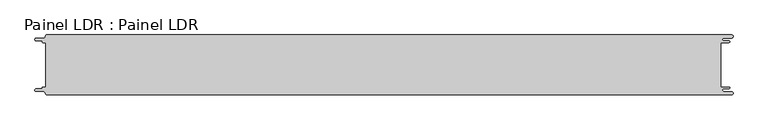
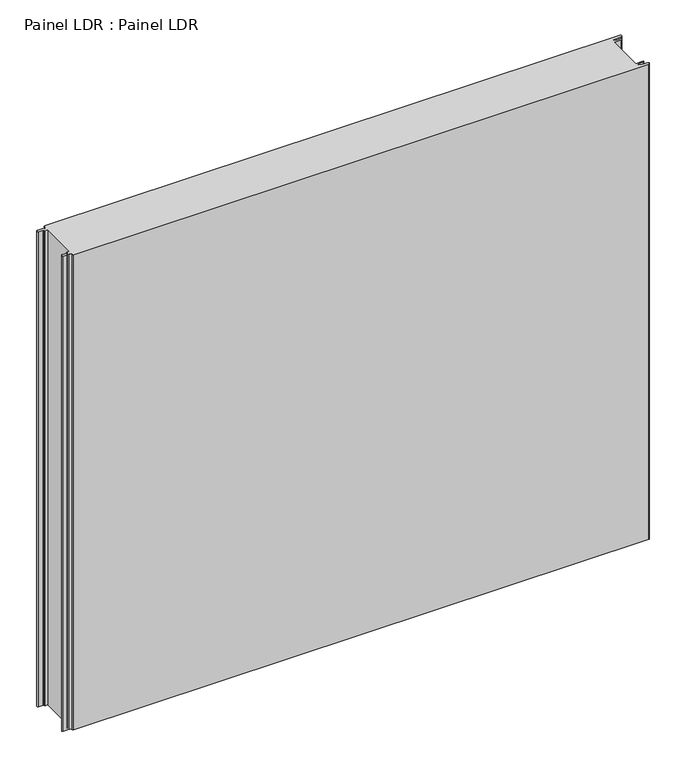
"""IFC4 building model written with IfcOpenShell, lengths in millimetres: proxy geometry, Painel LDR : Painel LDR."""

from ifc_helpers import new_model, si_unit, frame, origin, place, context, project, spatial, polyline, circle_curve, source, transform, mapped, element, save
from ifc_brep_helpers import plane_surface, cylinder_surface, revolved_surface, advanced_brep


def painel_ldr_painel_ldr_763152a1(model_context):
    return source(origin(), model_context, "Body", "AdvancedBrep", [
        advanced_brep(
        [(-579.5093748, -37.3, 1000.0), (-580.1093748, -37.9, 1000.0), (-580.1093748, -38.7085184, 1000.0), (-581.5093751, -40.1085187, 1000.0), (-590.4875, -40.1085187, 1000.0), (-590.4875, -44.5085185, 1000.0), (-578.471875, -44.5085185, 1000.0), (-574.921875, -48.0585185, 1000.0), (-572.971875, -50.0, 1000.0), (572.284375, -50.0, 1000.0), (572.284375, -44.725, 1000.0), (559.378125, -44.725, 1000.0), (559.378125, -39.875, 1000.0), (568.0406253, -39.875, 1000.0), (568.0406253, -37.3, 1000.0), (554.1906253, -37.3, 1000.0), (554.1906253, 37.3, 1000.0), (568.0406253, 37.3, 1000.0), (568.0406253, 39.875, 1000.0), (559.378125, 39.875, 1000.0), (559.378125, 44.725, 1000.0), (572.284375, 44.725, 1000.0), (572.284375, 50.0, 1000.0), (-572.971875, 50.0, 1000.0), (-574.921875, 48.05, 1000.0), (-578.471875, 44.5085185, 1000.0), (-590.4875, 44.5085185, 1000.0), (-590.4875, 40.1085185, 1000.0), (-581.5093753, 40.1085185, 1000.0), (-580.1093753, 38.7085185, 1000.0), (-580.1093753, 37.9, 1000.0), (-579.5093748, 37.2999995, 1000.0), (-574.2218362, 37.2999995, 1000.0), (-574.2218362, -37.3, 1000.0), (-579.5093748, -37.3, 0.0), (-574.2218362, -37.3, 0.0), (-574.2218362, 37.2999995, 0.0), (-579.5093748, 37.2999995, 0.0), (-580.1093753, 37.9, 0.0), (-580.1093753, 38.7085185, 0.0), (-581.5093753, 40.1085185, 0.0), (-590.4875, 40.1085185, 0.0), (-590.4875, 44.5085185, 0.0), (-578.471875, 44.5085185, 0.0), (-574.921875, 48.0585185, 0.0), (-572.971875, 50.0, 0.0), (572.284375, 50.0, 0.0), (572.284375, 44.725, 0.0), (559.378125, 44.725, 0.0), (559.378125, 39.875, 0.0), (568.0406253, 39.875, 0.0), (568.0406253, 37.3, 0.0), (554.1906253, 37.3, 0.0), (554.1906253, -37.3, 0.0), (568.0406253, -37.3, 0.0), (568.0406253, -39.875, 0.0), (559.378125, -39.875, 0.0), (559.378125, -44.725, 0.0), (572.284375, -44.725, 0.0), (572.284375, -50.0, 0.0), (-572.971875, -50.0, 0.0), (-574.921875, -48.05, 0.0), (-578.471875, -44.5085185, 0.0), (-590.4875, -44.5085185, 0.0), (-590.4875, -40.1085187, 0.0), (-581.5093751, -40.1085187, 0.0), (-580.1093748, -38.7085184, 0.0), (-580.1093748, -37.9, 0.0)],
        [
            (0, 1, circle_curve(frame((-579.5093748, -37.9, 1000.0), z_axis=(0.0, 0.0, 1.0), x_axis=(1.0, 0.0, 0.0)), 0.6)),
            (1, 2),
            (2, 3, circle_curve(frame((-581.5093751, -38.7085184, 1000.0), z_axis=(0.0, 0.0, -1.0), x_axis=(1.0, 0.0, 0.0)), 1.4000003)),
            (3, 4),
            (4, 5, circle_curve(frame((-590.4875, -42.3085186, 1000.0), z_axis=(0.0, 0.0, 1.0), x_axis=(1.0, 0.0, 0.0)), 2.1999999)),
            (5, 6),
            (6, 7, circle_curve(frame((-578.471875, -48.0585185, 1000.0), z_axis=(0.0, 0.0, -1.0), x_axis=(1.0, 0.0, 0.0)), 3.55)),
            (7, 8, circle_curve(frame((-572.971875, -48.05, 1000.0), z_axis=(0.0, 0.0, 1.0), x_axis=(1.0, 0.0, 0.0)), 1.95)),
            (8, 9),
            (9, 10, circle_curve(frame((572.284375, -47.3625, 1000.0), z_axis=(0.0, 0.0, 1.0), x_axis=(1.0, 0.0, 0.0)), 2.6375)),
            (10, 11),
            (11, 12, circle_curve(frame((559.378125, -42.3, 1000.0), z_axis=(0.0, 0.0, -1.0), x_axis=(1.0, 0.0, 0.0)), 2.425)),
            (12, 13),
            (13, 14, circle_curve(frame((568.0406253, -38.5875, 1000.0), z_axis=(0.0, 0.0, 1.0), x_axis=(1.0, 0.0, 0.0)), 1.2875)),
            (14, 15),
            (15, 16),
            (16, 17),
            (17, 18, circle_curve(frame((568.0406253, 38.5875, 1000.0), z_axis=(0.0, 0.0, 1.0), x_axis=(1.0, 0.0, 0.0)), 1.2875)),
            (18, 19),
            (19, 20, circle_curve(frame((559.378125, 42.3, 1000.0), z_axis=(0.0, 0.0, -1.0), x_axis=(1.0, 0.0, 0.0)), 2.425)),
            (20, 21),
            (21, 22, circle_curve(frame((572.284375, 47.3625, 1000.0), z_axis=(0.0, 0.0, 1.0), x_axis=(1.0, 0.0, 0.0)), 2.6375)),
            (22, 23),
            (23, 24, circle_curve(frame((-572.971875, 48.05, 1000.0), z_axis=(0.0, 0.0, 1.0), x_axis=(1.0, 0.0, 0.0)), 1.95)),
            (24, 25, circle_curve(frame((-578.471875, 48.0585185, 1000.0), z_axis=(0.0, 0.0, -1.0), x_axis=(1.0, 0.0, 0.0)), 3.55)),
            (25, 26),
            (26, 27, circle_curve(frame((-590.4875, 42.3085185, 1000.0), z_axis=(0.0, 0.0, 1.0), x_axis=(1.0, 0.0, 0.0)), 2.2)),
            (27, 28),
            (28, 29, circle_curve(frame((-581.5093753, 38.7085185, 1000.0), z_axis=(0.0, 0.0, -1.0), x_axis=(1.0, 0.0, 0.0)), 1.4)),
            (29, 30),
            (30, 31, circle_curve(frame((-579.5093748, 37.9, 1000.0), z_axis=(0.0, 0.0, 1.0), x_axis=(1.0, 0.0, 0.0)), 0.6000005)),
            (31, 32),
            (32, 33),
            (33, 0),
            (34, 35),
            (35, 36),
            (36, 37),
            (37, 38, circle_curve(frame((-579.5093748, 37.9, 0.0), z_axis=(0.0, 0.0, -1.0), x_axis=(1.0, 0.0, 0.0)), 0.6000005)),
            (38, 39),
            (39, 40, circle_curve(frame((-581.5093753, 38.7085185, 0.0), z_axis=(0.0, 0.0, 1.0), x_axis=(1.0, 0.0, 0.0)), 1.4)),
            (40, 41),
            (41, 42, circle_curve(frame((-590.4875, 42.3085185, 0.0), z_axis=(0.0, 0.0, -1.0), x_axis=(1.0, 0.0, 0.0)), 2.2)),
            (42, 43),
            (43, 44, circle_curve(frame((-578.471875, 48.0585185, 0.0), z_axis=(0.0, 0.0, 1.0), x_axis=(1.0, 0.0, 0.0)), 3.55)),
            (44, 45, circle_curve(frame((-572.971875, 48.05, 0.0), z_axis=(0.0, 0.0, -1.0), x_axis=(1.0, 0.0, 0.0)), 1.95)),
            (45, 46),
            (46, 47, circle_curve(frame((572.284375, 47.3625, 0.0), z_axis=(0.0, 0.0, -1.0), x_axis=(1.0, 0.0, 0.0)), 2.6375)),
            (47, 48),
            (48, 49, circle_curve(frame((559.378125, 42.3, 0.0), z_axis=(0.0, 0.0, 1.0), x_axis=(1.0, 0.0, 0.0)), 2.425)),
            (49, 50),
            (50, 51, circle_curve(frame((568.0406253, 38.5875, 0.0), z_axis=(0.0, 0.0, -1.0), x_axis=(1.0, 0.0, 0.0)), 1.2875)),
            (51, 52),
            (52, 53),
            (53, 54),
            (54, 55, circle_curve(frame((568.0406253, -38.5875, 0.0), z_axis=(0.0, 0.0, -1.0), x_axis=(1.0, 0.0, 0.0)), 1.2875)),
            (55, 56),
            (56, 57, circle_curve(frame((559.378125, -42.3, 0.0), z_axis=(0.0, 0.0, 1.0), x_axis=(1.0, 0.0, 0.0)), 2.425)),
            (57, 58),
            (58, 59, circle_curve(frame((572.284375, -47.3625, 0.0), z_axis=(0.0, 0.0, -1.0), x_axis=(1.0, 0.0, 0.0)), 2.6375)),
            (59, 60),
            (60, 61, circle_curve(frame((-572.971875, -48.05, 0.0), z_axis=(0.0, 0.0, -1.0), x_axis=(1.0, 0.0, 0.0)), 1.95)),
            (61, 62, circle_curve(frame((-578.471875, -48.0585185, 0.0), z_axis=(0.0, 0.0, 1.0), x_axis=(1.0, 0.0, 0.0)), 3.55)),
            (62, 63),
            (63, 64, circle_curve(frame((-590.4875, -42.3085186, 0.0), z_axis=(0.0, 0.0, -1.0), x_axis=(1.0, 0.0, 0.0)), 2.1999999)),
            (64, 65),
            (65, 66, circle_curve(frame((-581.5093751, -38.7085184, 0.0), z_axis=(0.0, 0.0, 1.0), x_axis=(1.0, 0.0, 0.0)), 1.4000003)),
            (66, 67),
            (67, 34, circle_curve(frame((-579.5093748, -37.9, 0.0), z_axis=(0.0, 0.0, -1.0), x_axis=(1.0, 0.0, 0.0)), 0.6)),
            (33, 35),
            (34, 0),
            (32, 36),
            (31, 37),
            (30, 38),
            (29, 39),
            (28, 40),
            (27, 41),
            (26, 42),
            (25, 43),
            (24, 44),
            (23, 45),
            (22, 46),
            (15, 53),
            (52, 16),
            (14, 54),
            (13, 55),
            (12, 56),
            (11, 57),
            (10, 58),
            (9, 59),
            (8, 60),
            (7, 61),
            (6, 62),
            (5, 63),
            (4, 64),
            (3, 65),
            (2, 66),
            (1, 67),
            (21, 47),
            (20, 48),
            (19, 49),
            (18, 50),
            (17, 51),
        ],
        [
            plane_surface(frame((-574.2218362, -37.3, 1000.0), z_axis=(0.0, 0.0, 1.0), x_axis=(1.0, 0.0, 0.0))),
            plane_surface(frame((-574.2218362, -37.3, 0.0), z_axis=(0.0, 0.0, -1.0), x_axis=(-1.0, 0.0, 0.0))),
            plane_surface(frame((-579.5093748, -37.3, 1000.0), z_axis=(0.0, 1.0, 0.0), x_axis=(0.0, 0.0, -1.0))),
            plane_surface(frame((-574.2218362, -37.3, 1000.0), z_axis=(-1.0, 0.0, 0.0), x_axis=(0.0, 0.0, -1.0))),
            plane_surface(frame((-574.2218362, 37.2999995, 1000.0), z_axis=(0.0, -1.0, 0.0), x_axis=(0.0, 0.0, -1.0))),
            cylinder_surface(frame((-579.5093748, 37.9, 0.0), z_axis=(0.0, 0.0, 1.0), x_axis=(1.0, 0.0, 0.0)), 0.6000005),
            plane_surface(frame((-580.1093753, 37.9, 1000.0), z_axis=(-1.0, -1.7578608662328141e-12, 0.0), x_axis=(0.0, 0.0, -1.0))),
            revolved_surface(polyline([(-580.1093753, 38.7085185, 0.0), (-580.1093753, 38.7085185, 1000.0)]), (-581.5093753, 38.7085185, 0.0), (0.0, 0.0, -1.0)),
            plane_surface(frame((-581.5093753, 40.1085185, 1000.0), z_axis=(0.0, -1.0, 0.0), x_axis=(0.0, 0.0, -1.0))),
            cylinder_surface(frame((-590.4875, 42.3085185, 0.0), z_axis=(0.0, 0.0, 1.0), x_axis=(1.0, 0.0, 0.0)), 2.2),
            plane_surface(frame((-590.4875, 44.5085185, 1000.0), z_axis=(0.0, 1.0, 0.0), x_axis=(0.0, 0.0, -1.0))),
            revolved_surface(polyline([(-574.921875, 48.0585185, 0.0), (-574.921875, 48.0585185, 1000.0)]), (-578.471875, 48.0585185, 0.0), (0.0, 0.0, -1.0)),
            cylinder_surface(frame((-572.971875, 48.05, 0.0), z_axis=(0.0, 0.0, 1.0), x_axis=(1.0, 0.0, 0.0)), 1.95),
            plane_surface(frame((-572.971875, 50.0, 1000.0), z_axis=(0.0, 1.0, 0.0), x_axis=(0.0, 0.0, -1.0))),
            plane_surface(frame((554.1906253, 37.3, 1000.0), z_axis=(1.0, 0.0, 0.0), x_axis=(0.0, 0.0, -1.0))),
            plane_surface(frame((554.1906253, -37.3, 1000.0), z_axis=(0.0, 1.0, 0.0), x_axis=(0.0, 0.0, -1.0))),
            cylinder_surface(frame((568.0406253, -38.5875, 0.0), z_axis=(0.0, 0.0, 1.0), x_axis=(1.0, 0.0, 0.0)), 1.2875),
            plane_surface(frame((568.0406253, -39.875, 1000.0), z_axis=(0.0, -1.0, 0.0), x_axis=(0.0, 0.0, -1.0))),
            revolved_surface(polyline([(561.8031249999999, -42.3, 0.0), (561.8031249999999, -42.3, 1000.0)]), (559.378125, -42.3, 0.0), (0.0, 0.0, -1.0)),
            plane_surface(frame((559.378125, -44.725, 1000.0), z_axis=(0.0, 1.0, 0.0), x_axis=(0.0, 0.0, -1.0))),
            cylinder_surface(frame((572.284375, -47.3625, 0.0), z_axis=(0.0, 0.0, 1.0), x_axis=(1.0, 0.0, 0.0)), 2.6375),
            plane_surface(frame((572.284375, -50.0, 1000.0), z_axis=(0.0, -1.0, 0.0), x_axis=(0.0, 0.0, -1.0))),
            cylinder_surface(frame((-572.971875, -48.05, 0.0), z_axis=(0.0, 0.0, 1.0), x_axis=(1.0, 0.0, 0.0)), 1.95),
            revolved_surface(polyline([(-574.921875, -48.0585185, 0.0), (-574.921875, -48.0585185, 1000.0)]), (-578.471875, -48.0585185, 0.0), (0.0, 0.0, -1.0)),
            plane_surface(frame((-578.471875, -44.5085185, 1000.0), z_axis=(0.0, -1.0, 0.0), x_axis=(0.0, 0.0, -1.0))),
            cylinder_surface(frame((-590.4875, -42.3085186, 0.0), z_axis=(0.0, 0.0, 1.0), x_axis=(1.0, 0.0, 0.0)), 2.1999999),
            plane_surface(frame((-590.4875, -40.1085187, 1000.0), z_axis=(0.0, 1.0, 0.0), x_axis=(0.0, 0.0, -1.0))),
            revolved_surface(polyline([(-580.1093748000001, -38.7085184, 0.0), (-580.1093748000001, -38.7085184, 1000.0)]), (-581.5093751, -38.7085184, 0.0), (0.0, 0.0, -1.0)),
            plane_surface(frame((-580.1093748, -38.7085184, 1000.0), z_axis=(-1.0, 0.0, 0.0), x_axis=(0.0, 0.0, -1.0))),
            cylinder_surface(frame((-579.5093748, -37.9, 0.0), z_axis=(0.0, 0.0, 1.0), x_axis=(1.0, 0.0, 0.0)), 0.6),
            cylinder_surface(frame((572.284375, 47.3625, 0.0), z_axis=(0.0, 0.0, 1.0), x_axis=(1.0, 0.0, 0.0)), 2.6375),
            plane_surface(frame((572.284375, 44.725, 1000.0), z_axis=(0.0, -1.0, 0.0), x_axis=(0.0, 0.0, -1.0))),
            revolved_surface(polyline([(561.8031249999999, 42.3, 0.0), (561.8031249999999, 42.3, 1000.0)]), (559.378125, 42.3, 0.0), (0.0, 0.0, -1.0)),
            plane_surface(frame((559.378125, 39.875, 1000.0), z_axis=(0.0, 1.0, 0.0), x_axis=(0.0, 0.0, -1.0))),
            cylinder_surface(frame((568.0406253, 38.5875, 0.0), z_axis=(0.0, 0.0, 1.0), x_axis=(1.0, 0.0, 0.0)), 1.2875),
            plane_surface(frame((568.0406253, 37.3, 1000.0), z_axis=(0.0, -1.0, 0.0), x_axis=(0.0, 0.0, -1.0))),
        ],
        [
            (0, [[1, 2, 3, 4, 5, 6, 7, 8, 9, 10, 11, 12, 13, 14, 15, 16, 17, 18, 19, 20, 21, 22, 23, 24, 25, 26, 27, 28, 29, 30, 31, 32, 33, 34]]),
            (1, [[35, 36, 37, 38, 39, 40, 41, 42, 43, 44, 45, 46, 47, 48, 49, 50, 51, 52, 53, 54, 55, 56, 57, 58, 59, 60, 61, 62, 63, 64, 65, 66, 67, 68]]),
            (2, [[69, -35, 70, -34]]),
            (3, [[71, -36, -69, -33]]),
            (4, [[72, -37, -71, -32]]),
            (5, [[73, -38, -72, -31]]),
            (6, [[74, -39, -73, -30]]),
            (7, [[75, -40, -74, -29]]),
            (8, [[76, -41, -75, -28]]),
            (9, [[77, -42, -76, -27]]),
            (10, [[78, -43, -77, -26]]),
            (11, [[79, -44, -78, -25]]),
            (12, [[80, -45, -79, -24]]),
            (13, [[81, -46, -80, -23]]),
            (14, [[82, -53, 83, -16]]),
            (15, [[84, -54, -82, -15]]),
            (16, [[85, -55, -84, -14]]),
            (17, [[86, -56, -85, -13]]),
            (18, [[87, -57, -86, -12]]),
            (19, [[88, -58, -87, -11]]),
            (20, [[89, -59, -88, -10]]),
            (21, [[90, -60, -89, -9]]),
            (22, [[91, -61, -90, -8]]),
            (23, [[92, -62, -91, -7]]),
            (24, [[93, -63, -92, -6]]),
            (25, [[94, -64, -93, -5]]),
            (26, [[95, -65, -94, -4]]),
            (27, [[96, -66, -95, -3]]),
            (28, [[97, -67, -96, -2]]),
            (29, [[-70, -68, -97, -1]]),
            (30, [[98, -47, -81, -22]]),
            (31, [[99, -48, -98, -21]]),
            (32, [[100, -49, -99, -20]]),
            (33, [[101, -50, -100, -19]]),
            (34, [[102, -51, -101, -18]]),
            (35, [[-83, -52, -102, -17]]),
        ],
    ),
    ])


if __name__ == "__main__":
    model = new_model("IFC4")
    model_context = context("Model", 3, world=origin())
    ifc_project = project(units=[si_unit("LENGTHUNIT", "METRE", prefix="MILLI")], contexts=[model_context])
    site = spatial("IfcSite", under=ifc_project)
    building = spatial("IfcBuilding", under=site)
    placement = place(None, origin())
    painel_ldr_painel_ldr_shape = painel_ldr_painel_ldr_763152a1(model_context)
    element("IfcBuildingElementProxy", 1, Name="Painel LDR : Painel LDR", ObjectType="Painel LDR : Painel LDR", at=placement, inside=building, context=model_context, shape_type="MappedRepresentation", body=[
        mapped(painel_ldr_painel_ldr_shape, transform((0.0, 0.0, 0.0), x_axis=(1.0, 0.0, 0.0), y_axis=(0.0, 1.0, 0.0), z_axis=(0.0, 0.0, 1.0))),
    ])
    save(model, "model.ifc")
